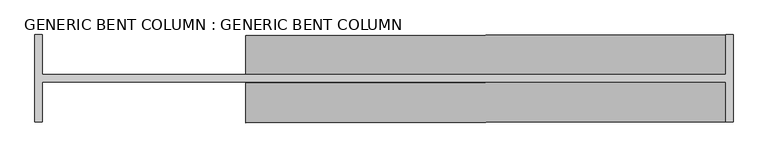
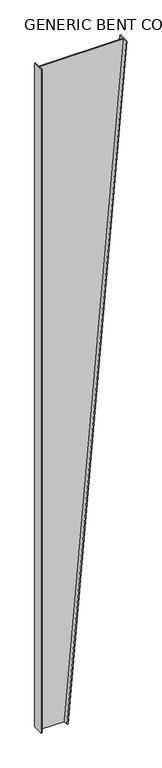
"""IFC4 building model written with IfcOpenShell, lengths in millimetres: proxy geometry, GENERIC BENT COLUMN : GENERIC BENT COLUMN."""

from ifc_helpers import new_model, si_unit, origin, place, context, project, spatial, faceted_brep, source, transform, mapped, element, save


def generic_bent_column_generic_bent_column_17700bc1(model_context):
    return source(origin(), model_context, "Body", "Brep", [
        faceted_brep([(25.4, -12.7, 19812.0), (2413.0, -12.7, 19812.0), (2413.0, -152.4, 19812.0), (2438.4, -152.4, 19812.0), (2438.4, 152.4, 19812.0), (2413.0, 152.4, 19812.0), (2413.0, 12.7, 19812.0), (25.4, 12.7, 19812.0), (25.4, 152.4, 19812.0), (0.0, 152.4, 19812.0), (0.0, -152.4, 19812.0), (25.4, -152.4, 19812.0), (25.4, -12.7, 0.0), (25.4, -152.4, 0.0), (0.0, -152.4, 0.0), (0.0, 152.4, 0.0), (25.4, 152.4, 0.0), (25.4, 12.7, 0.0), (736.6, 12.7, 0.0), (736.6, 152.4, 0.0), (762.0, 152.4, 0.0), (762.0, -152.4, 0.0), (736.6, -152.4, 0.0), (736.6, -12.7, 0.0)], [[[0, 1, 2, 3, 4, 5, 6, 7, 8, 9, 10, 11]], [[12, 13, 14, 15, 16, 17, 18, 19, 20, 21, 22, 23]], [[12, 0, 11, 13]], [[13, 11, 10, 14]], [[14, 10, 9, 15]], [[15, 9, 8, 16]], [[16, 8, 7, 17]], [[17, 7, 6, 18]], [[18, 6, 5, 19]], [[19, 5, 4, 20]], [[20, 4, 3, 21]], [[21, 3, 2, 22]], [[22, 2, 1, 23]], [[23, 1, 0, 12]]]),
    ])


if __name__ == "__main__":
    model = new_model("IFC4")
    model_context = context("Model", 3, world=origin())
    ifc_project = project(units=[si_unit("LENGTHUNIT", "METRE", prefix="MILLI")], contexts=[model_context])
    site = spatial("IfcSite", under=ifc_project)
    building = spatial("IfcBuilding", under=site)
    placement = place(None, origin())
    generic_bent_column_generic_bent_column_shape = generic_bent_column_generic_bent_column_17700bc1(model_context)
    element("IfcBuildingElementProxy", 1, Name="GENERIC BENT COLUMN : GENERIC BENT COLUMN", ObjectType="GENERIC BENT COLUMN : GENERIC BENT COLUMN", at=placement, inside=building, context=model_context, shape_type="MappedRepresentation", body=[
        mapped(generic_bent_column_generic_bent_column_shape, transform((0.0, 0.0, 0.0), x_axis=(1.0, 0.0, 0.0), y_axis=(0.0, 1.0, 0.0), z_axis=(0.0, 0.0, 1.0))),
    ])
    save(model, "model.ifc")
